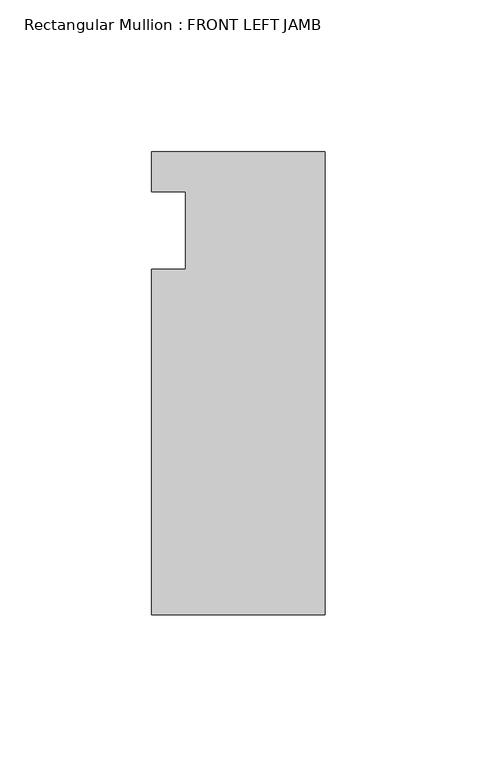
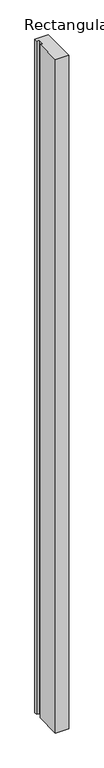
"""IFC4 building model written with IfcOpenShell, lengths in millimetres: member geometry, Rectangular Mullion : FRONT LEFT JAMB."""

from ifc_helpers import new_model, si_unit, frame, origin, place, context, project, spatial, polyline, outline, extrude, source, transform, mapped, element, save


def rectangular_mullion_front_left_jamb_6a1c0c83(model_context):
    return source(origin(), model_context, "Body", "SweptSolid", [
        extrude(outline(polyline([(-57.15, 38.5960937), (0.0, 38.5960938), (0.0, -113.8039062), (-57.15, -113.8039063), (-57.15, 0.0007937), (-46.0375, 0.0007937), (-46.0375, 25.4007937), (-57.15, 25.4007937), (-57.15, 38.5960937)])), frame((0.0, 0.0, -3048.0), z_axis=(0.0, 0.0, 1.0), x_axis=(1.0, 0.0, 0.0)), (0.0, 0.0, 1.0), 3048.0),
    ])


if __name__ == "__main__":
    model = new_model("IFC4")
    model_context = context("Model", 3, world=origin())
    ifc_project = project(units=[si_unit("LENGTHUNIT", "METRE", prefix="MILLI")], contexts=[model_context])
    site = spatial("IfcSite", under=ifc_project)
    building = spatial("IfcBuilding", under=site)
    placement = place(None, origin())
    rectangular_mullion_front_left_jamb_shape = rectangular_mullion_front_left_jamb_6a1c0c83(model_context)
    element("IfcMember", 1, ObjectType="Rectangular Mullion : FRONT LEFT JAMB", at=placement, inside=building, context=model_context, shape_type="MappedRepresentation", body=[
        mapped(rectangular_mullion_front_left_jamb_shape, transform((0.0, 0.0, 0.0), x_axis=(1.0, 0.0, 0.0), y_axis=(0.0, 1.0, 0.0), z_axis=(0.0, 0.0, 1.0))),
    ])
    save(model, "model.ifc")
